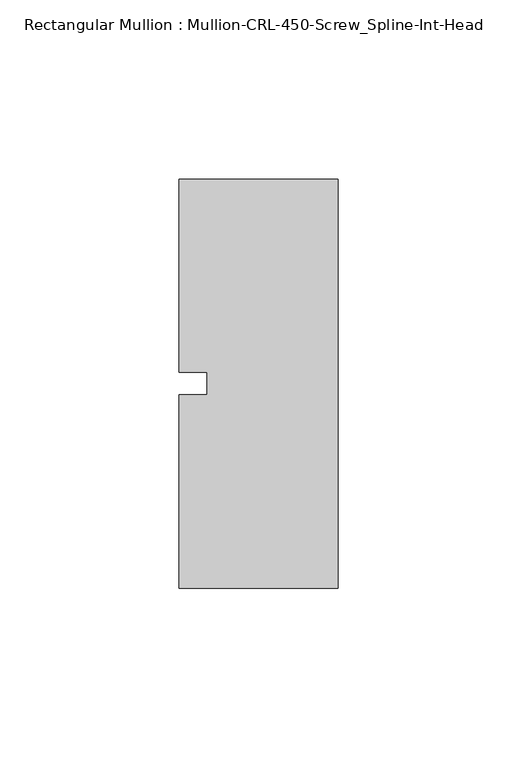
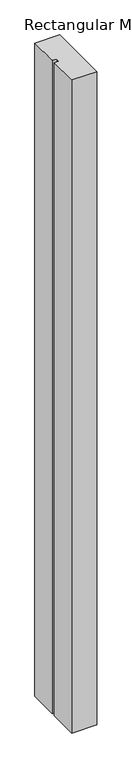
"""IFC4 building model written with IfcOpenShell, lengths in millimetres: member geometry, Rectangular Mullion : Mullion-CRL-450-Screw_Spline-Int-Head."""

import ifcopenshell
import ifcopenshell.guid

model = None  # the IFC model being written
_history = None  # IfcOwnerHistory: only IFC2X3 demands one
_inside = {}  # id of a spatial element -> (the spatial element, [elements in it])
_under = {}  # id of a project, library or spatial element -> (it, [spatial elements below it])
_declared = {}  # id of a project -> (the project, [libraries it declares])
_typed = {}  # id of a type object -> (the type object, [elements of that type])
_made_of = {}  # id of a material, layer set ... -> (it, [elements and type objects made of it])


def new_model(schema):
    """Start an empty IFC model of exactly this schema.

    Asked for "IFC4X3", IfcOpenShell would pick the latest addendum, in which some entities
    have other attributes; the version numbers below select the first issue.
    IFC2X3 requires an IfcOwnerHistory on every rooted entity: one is made here for all.
    """
    global model, _history
    if schema == "IFC4X3":
        model = ifcopenshell.file(schema_version=(4, 3, 0, 0))
    else:
        model = ifcopenshell.file(schema=schema)
    _inside.clear()
    _under.clear()
    _declared.clear()
    _typed.clear()
    _made_of.clear()
    _history = None
    if model.schema == "IFC2X3":
        org = make("IfcOrganization", Name="unknown")
        user = make(
            "IfcPersonAndOrganization",
            ThePerson=make("IfcPerson", FamilyName="unknown"),
            TheOrganization=org,
        )
        app = make(
            "IfcApplication",
            ApplicationDeveloper=org,
            Version="unknown",
            ApplicationFullName="unknown",
            ApplicationIdentifier="unknown",
        )
        _history = make(
            "IfcOwnerHistory",
            OwningUser=user,
            OwningApplication=app,
            ChangeAction="ADDED",
            CreationDate=0,
        )
    return model


def make(cls, **values):
    """One entity of the class cls with the attributes given. An attribute that is None is left unset."""
    return model.create_entity(
        cls, **{name: value for name, value in values.items() if value is not None}
    )


def rooted(cls, **values):
    """An entity with a GlobalId (a new one), such as an element, a storey or a relation."""
    return make(cls, GlobalId=ifcopenshell.guid.new(), OwnerHistory=_history, **values)


def si_unit(unit_type, name, prefix=None):
    """IfcSIUnit, for example si_unit("LENGTHUNIT", "METRE", prefix="MILLI")."""
    return make("IfcSIUnit", UnitType=unit_type, Prefix=prefix, Name=name)


def assignment(units):
    """IfcUnitAssignment: the units of a project."""
    return None if units is None else make("IfcUnitAssignment", Units=units)


def point(xyz):
    """IfcCartesianPoint."""
    return None if xyz is None else make("IfcCartesianPoint", Coordinates=xyz)


def direction(xyz):
    """IfcDirection."""
    return None if xyz is None else make("IfcDirection", DirectionRatios=xyz)


def frame(location, z_axis=None, x_axis=None):
    """IfcAxis2Placement3D, a coordinate frame: its origin and axes. An axis left out is left unset."""
    return make(
        "IfcAxis2Placement3D",
        Location=point(location),
        Axis=direction(z_axis),
        RefDirection=direction(x_axis),
    )


def origin():
    """The frame at (0, 0, 0) with its axes left unset."""
    return frame((0.0, 0.0, 0.0))


def place(relative_to, where):
    """IfcLocalPlacement: puts the frame where relative to a parent placement (None: the world)."""
    return make(
        "IfcLocalPlacement", PlacementRelTo=relative_to, RelativePlacement=where
    )


def context(
    kind, dimensions, precision=None, world=None, true_north=None, identifier=None
):
    """IfcGeometricRepresentationContext, for example the 3D "Model" context."""
    return make(
        "IfcGeometricRepresentationContext",
        ContextIdentifier=identifier,
        ContextType=kind,
        CoordinateSpaceDimension=dimensions,
        Precision=precision,
        WorldCoordinateSystem=world,
        TrueNorth=true_north,
    )


def project(units=None, contexts=None):
    """IfcProject with its units and contexts."""
    return rooted(
        "IfcProject",
        Name="project",
        RepresentationContexts=contexts,
        UnitsInContext=assignment(units),
    )


def spatial(cls, under=None, at=None, **own):
    """A site, building, storey or space (cls), placed at a placement, below another one or the project."""
    s = rooted(cls, ObjectPlacement=at, **own)
    if under is not None:
        _under.setdefault(under.id(), (under, []))[1].append(s)
    return s


def polyline(points):
    """IfcPolyline through the points."""
    return make("IfcPolyline", Points=[point(p) for p in points])


def outline(outer, holes=None, kind="AREA"):
    """IfcArbitraryClosedProfileDef: a profile drawn as a closed curve; with holes, ...WithVoids."""
    if holes is None:
        return make("IfcArbitraryClosedProfileDef", ProfileType=kind, OuterCurve=outer)
    return make(
        "IfcArbitraryProfileDefWithVoids",
        ProfileType=kind,
        OuterCurve=outer,
        InnerCurves=holes,
    )


def extrude(swept, where, along, depth):
    """IfcExtrudedAreaSolid: the profile swept, set in the frame where, extruded along a direction by depth."""
    return make(
        "IfcExtrudedAreaSolid",
        SweptArea=swept,
        Position=where,
        ExtrudedDirection=direction(along),
        Depth=depth,
    )


def shape(context_of_items, identifier, shape_type, items):
    """IfcShapeRepresentation: the items that make up one representation, for example the "Body"."""
    return make(
        "IfcShapeRepresentation",
        ContextOfItems=context_of_items,
        RepresentationIdentifier=identifier,
        RepresentationType=shape_type,
        Items=items,
    )


def source(mapping_origin, context_of_items, identifier, shape_type, items):
    """IfcRepresentationMap: a shape defined once, which mapped items show again and again."""
    return make(
        "IfcRepresentationMap",
        MappingOrigin=mapping_origin,
        MappedRepresentation=shape(context_of_items, identifier, shape_type, items),
    )


def transform(
    local_origin,
    x_axis=None,
    y_axis=None,
    z_axis=None,
    scale=None,
    scale2=None,
    scale3=None,
    uniform=True,
):
    """IfcCartesianTransformationOperator3D, or its non-uniform kind. x_axis, y_axis, z_axis: its Axis1, 2, 3."""
    if uniform:
        return make(
            "IfcCartesianTransformationOperator3D",
            Axis1=direction(x_axis),
            Axis2=direction(y_axis),
            LocalOrigin=point(local_origin),
            Scale=scale,
            Axis3=direction(z_axis),
        )
    return make(
        "IfcCartesianTransformationOperator3DnonUniform",
        Axis1=direction(x_axis),
        Axis2=direction(y_axis),
        LocalOrigin=point(local_origin),
        Scale=scale,
        Axis3=direction(z_axis),
        Scale2=scale2,
        Scale3=scale3,
    )


def mapped(mapping_source, mapping_target):
    """IfcMappedItem: shows the shape of a source again, moved by a transform."""
    return make(
        "IfcMappedItem", MappingSource=mapping_source, MappingTarget=mapping_target
    )


def made_of(thing, what):
    """Note that an element or type object is made of a material, layer set ...; save() writes the relation."""
    if what is not None:
        _made_of.setdefault(what.id(), (what, []))[1].append(thing)
    return thing


def element(
    cls,
    number,
    at=None,
    inside=None,
    cuts=None,
    type_object=None,
    material=None,
    context=None,
    identifier="Body",
    shape_type=None,
    held_by="IfcProductDefinitionShape",
    body=None,
    shapes=None,
    **own,
):
    """One element of the class cls, such as IfcWall. Its Tag is "e" and its number.

    at: its placement. inside: the storey or other place that contains it. cuts: it is an
    opening in that element (IfcRelVoidsElement). A single representation is given by context,
    identifier, shape_type and body (its items); several are given by shapes. held_by: the class
    of the entity that holds the representations. save() writes the other relations.
    """
    e = rooted(cls, Tag="e%d" % number, ObjectPlacement=at, **own)
    if body is not None:
        shapes = [shape(context, identifier, shape_type, body)]
    if shapes is not None:
        e.Representation = make(held_by, Representations=shapes)
    if inside is not None:
        _inside.setdefault(inside.id(), (inside, []))[1].append(e)
    if cuts is not None:
        rooted(
            "IfcRelVoidsElement", RelatingBuildingElement=cuts, RelatedOpeningElement=e
        )
    if type_object is not None:
        _typed.setdefault(type_object.id(), (type_object, []))[1].append(e)
    return made_of(e, material)


def aggregate(whole, parts):
    """IfcRelAggregates: a whole, such as a stair, and the parts it consists of."""
    return rooted("IfcRelAggregates", RelatingObject=whole, RelatedObjects=parts)


def save(model, path):
    """Write the relations noted so far, then the file.

    IfcRelAggregates (storeys below a building ...), IfcRelContainedInSpatialStructure (elements
    in a storey), IfcRelDefinesByType, IfcRelAssociatesMaterial and IfcRelDeclares: one each for
    every whole, place, type object, material and project.
    """
    for whole, parts in _under.values():
        aggregate(whole, parts)
    for where, things in _inside.values():
        rooted(
            "IfcRelContainedInSpatialStructure",
            RelatedElements=things,
            RelatingStructure=where,
        )
    for kind, things in _typed.values():
        rooted("IfcRelDefinesByType", RelatedObjects=things, RelatingType=kind)
    for what, things in _made_of.values():
        rooted("IfcRelAssociatesMaterial", RelatedObjects=things, RelatingMaterial=what)
    for by, libraries in _declared.values():
        rooted("IfcRelDeclares", RelatingContext=by, RelatedDefinitions=libraries)
    model.write(path)


def rectangular_mullion_mullion_crl_450_screw_spline_int_head_af3e599c(model_context):
    return source(origin(), model_context, "Body", "SweptSolid", [
        extrude(outline(polyline([(0.0, 57.15), (0.0, -57.15), (-44.45, -57.15), (-44.45, -3.175), (-36.5125, -3.175), (-36.5125, 3.175), (-44.45, 3.175), (-44.45, 57.15), (0.0, 57.15)])), frame((0.0, 0.0, -1234.0166667), z_axis=(0.0, 0.0, 1.0), x_axis=(1.0, 0.0, 0.0)), (0.0, 0.0, 1.0), 1234.0166667),
    ])


if __name__ == "__main__":
    model = new_model("IFC4")
    model_context = context("Model", 3, world=origin())
    ifc_project = project(units=[si_unit("LENGTHUNIT", "METRE", prefix="MILLI")], contexts=[model_context])
    site = spatial("IfcSite", under=ifc_project)
    building = spatial("IfcBuilding", under=site)
    placement = place(None, origin())
    rectangular_mullion_mullion_crl_450_screw_spline_int_head_shape = rectangular_mullion_mullion_crl_450_screw_spline_int_head_af3e599c(model_context)
    element("IfcMember", 1, ObjectType="Rectangular Mullion : Mullion-CRL-450-Screw_Spline-Int-Head", at=placement, inside=building, context=model_context, shape_type="MappedRepresentation", body=[
        mapped(rectangular_mullion_mullion_crl_450_screw_spline_int_head_shape, transform((0.0, 0.0, 0.0), x_axis=(1.0, 0.0, 0.0), y_axis=(0.0, 1.0, 0.0), z_axis=(0.0, 0.0, 1.0))),
    ])
    save(model, "model.ifc")
